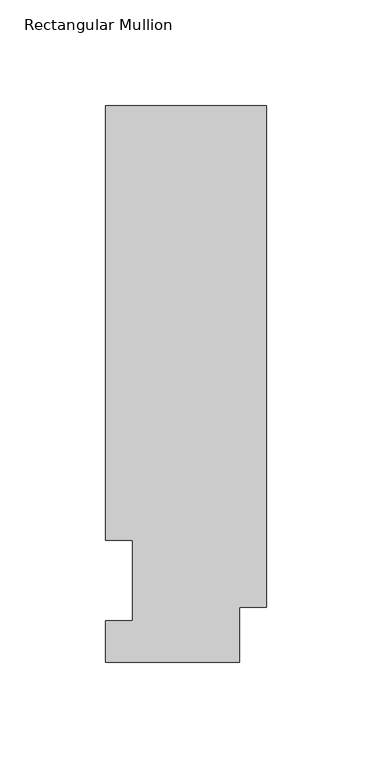
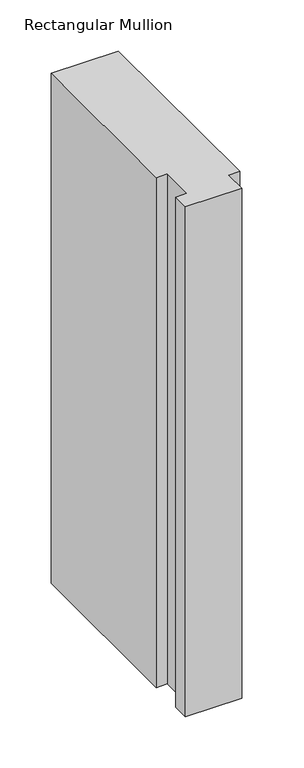
"""IFC4 building model written with IfcOpenShell, lengths in millimetres: member geometry, Rectangular Mullion."""

from ifc_helpers import new_model, si_unit, frame, origin, place, context, project, spatial, polyline, outline, extrude, source, transform, mapped, element, save


def rectangular_mullion_5da6ee65(model_context):
    return source(origin(), model_context, "Body", "SweptSolid", [
        extrude(outline(polyline([(0.0, 263.2336938), (0.0, 25.8955957), (-12.7, 25.8955957), (-12.7, 0.0134938), (-76.2, 0.0134938), (-76.2, 19.5460938), (-63.5, 19.5460938), (-63.5, 57.6460937), (-76.2, 57.6460937), (-76.2, 263.2336938), (0.0, 263.2336938)])), frame((0.0, 0.0, -609.6), z_axis=(0.0, 0.0, 1.0), x_axis=(1.0, 0.0, 0.0)), (0.0, 0.0, 1.0), 609.6),
    ])


if __name__ == "__main__":
    model = new_model("IFC4")
    model_context = context("Model", 3, world=origin())
    ifc_project = project(units=[si_unit("LENGTHUNIT", "METRE", prefix="MILLI")], contexts=[model_context])
    site = spatial("IfcSite", under=ifc_project)
    building = spatial("IfcBuilding", under=site)
    placement = place(None, origin())
    rectangular_mullion_shape = rectangular_mullion_5da6ee65(model_context)
    element("IfcMember", 1, ObjectType="Rectangular Mullion", at=placement, inside=building, context=model_context, shape_type="MappedRepresentation", body=[
        mapped(rectangular_mullion_shape, transform((0.0, 0.0, 0.0), x_axis=(1.0, 0.0, 0.0), y_axis=(0.0, 1.0, 0.0), z_axis=(0.0, 0.0, 1.0))),
    ])
    save(model, "model.ifc")
